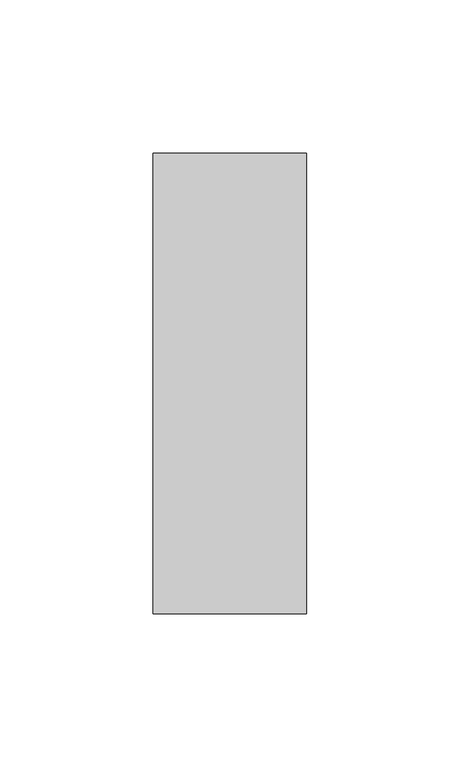
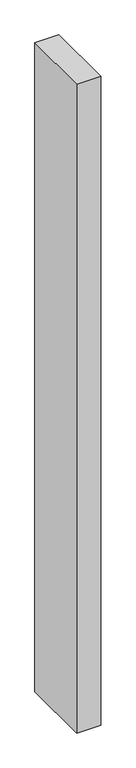
"""IFC4 building model written with IfcOpenShell, lengths in millimetres: member geometry."""

from ifc_helpers import new_model, si_unit, frame, origin, place, context, project, spatial, polyline, outline, extrude, source, transform, mapped, element, save


def member_1f4d75dd(model_context):
    return source(origin(), model_context, "Body", "SweptSolid", [
        extrude(outline(polyline([(25.0, 75.0), (25.0, -75.0), (-25.0, -75.0), (-25.0, 75.0), (25.0, 75.0)])), frame((0.0, 0.0, -1425.0), z_axis=(0.0, 0.0, 1.0), x_axis=(1.0, 0.0, 0.0)), (0.0, 0.0, 1.0), 1425.0),
    ])


if __name__ == "__main__":
    model = new_model("IFC4")
    model_context = context("Model", 3, world=origin())
    ifc_project = project(units=[si_unit("LENGTHUNIT", "METRE", prefix="MILLI")], contexts=[model_context])
    site = spatial("IfcSite", under=ifc_project)
    building = spatial("IfcBuilding", under=site)
    placement = place(None, origin())
    member_shape = member_1f4d75dd(model_context)
    element("IfcMember", 1, at=placement, inside=building, context=model_context, shape_type="MappedRepresentation", body=[
        mapped(member_shape, transform((0.0, 0.0, 0.0), x_axis=(1.0, 0.0, 0.0), y_axis=(0.0, 1.0, 0.0), z_axis=(0.0, 0.0, 1.0))),
    ])
    save(model, "model.ifc")
